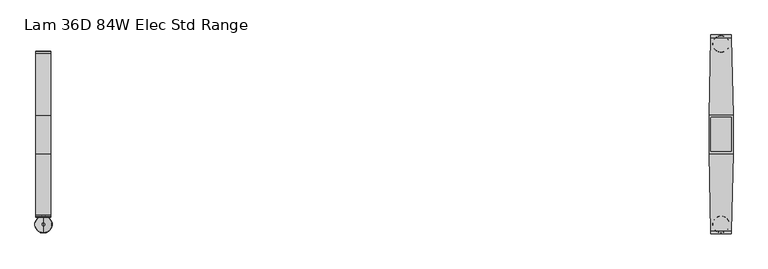
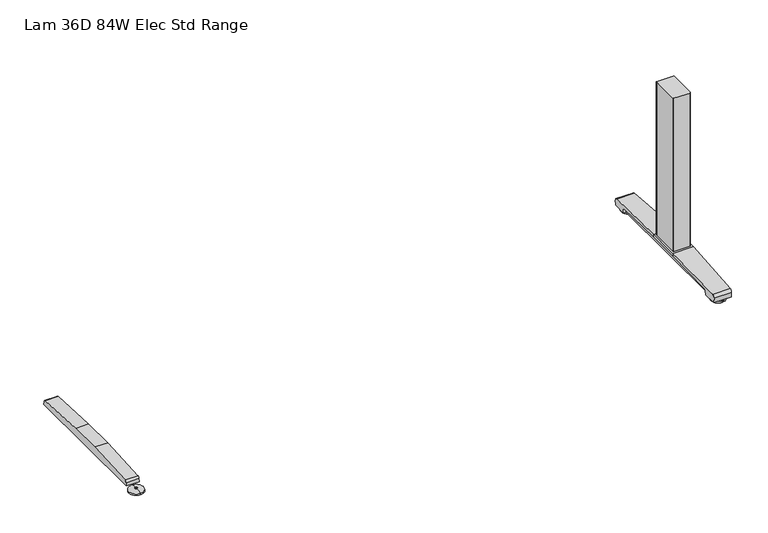
"""IFC4 building model written with IfcOpenShell, lengths in millimetres: furniture geometry, Lam 36D 84W Elec Std Range."""

from ifc_helpers import new_model, si_unit, point, frame, frame_2d, origin, place, context, project, spatial, polyline, circle_curve, ellipse_curve, trimmed, segment, composite_curve, outline, extrude, source, transform, mapped, element, save
from ifc_brep_helpers import plane_surface, cylinder_surface, revolved_surface, advanced_brep


def lam_36d_84w_elec_std_range_1e764a59(model_context):
    return source(origin(), model_context, "Body", "SolidModel", [
        advanced_brep(
        [(-989.076, -287.9643617, 0.0), (-989.076, -237.7743384, 0.0), (-989.076, -262.86935, 0.0), (-989.076, -287.8796512, 5.0038001), (-989.076, -237.8590489, 5.0038001), (-989.076, -266.8698499, 8.4327997), (-989.076, -258.8688501, 8.4327997), (-989.076, -266.8698499, 10.0423733), (-989.076, -258.8688501, 10.0423733), (-989.076, -262.86935, 10.0423733)],
        [
            (0, 1, circle_curve(frame((-989.076, -262.86935, 0.0), z_axis=(0.0, 0.0, -1.0), x_axis=(0.0, 1.0, 0.0)), 25.0950117)),
            (1, 2),
            (2, 0),
            (1, 0, circle_curve(frame((-989.076, -262.86935, 0.0), z_axis=(0.0, 0.0, -1.0), x_axis=(0.0, 1.0, 0.0)), 25.0950117)),
            (3, 4, circle_curve(frame((-989.076, -262.86935, 5.0038001), z_axis=(0.0, 0.0, -1.0), x_axis=(0.0, 1.0, 0.0)), 25.0103012)),
            (4, 1),
            (0, 3),
            (4, 3, circle_curve(frame((-989.076, -262.86935, 5.0038001), z_axis=(0.0, 0.0, -1.0), x_axis=(0.0, 1.0, 0.0)), 25.0103012)),
            (5, 6, circle_curve(frame((-989.076, -262.86935, 8.4327997), z_axis=(0.0, 0.0, -1.0), x_axis=(0.0, 1.0, 0.0)), 4.0004999)),
            (6, 4, circle_curve(frame((-989.076, -258.8368668, -57.4502444), z_axis=(-1.0, 0.0, 0.0), x_axis=(0.0, 1.0, 0.0)), 65.8830518)),
            (3, 5, circle_curve(frame((-989.076, -266.9018333, -57.4502444), z_axis=(-1.0, 0.0, 0.0), x_axis=(0.0, -1.0, 0.0)), 65.8830518)),
            (6, 5, circle_curve(frame((-989.076, -262.86935, 8.4327997), z_axis=(0.0, 0.0, -1.0), x_axis=(0.0, 1.0, 0.0)), 4.0004999)),
            (7, 8, circle_curve(frame((-989.076, -262.86935, 10.0423733), z_axis=(0.0, 0.0, -1.0), x_axis=(0.0, 1.0, 0.0)), 4.0004999)),
            (8, 6),
            (5, 7),
            (8, 7, circle_curve(frame((-989.076, -262.86935, 10.0423733), z_axis=(0.0, 0.0, -1.0), x_axis=(0.0, 1.0, 0.0)), 4.0004999)),
            (9, 8),
            (7, 9),
        ],
        [
            plane_surface(frame((-989.076, -262.86935, 0.0), z_axis=(0.0, 0.0, -1.0), x_axis=(0.0, 1.0, 0.0))),
            revolved_surface(polyline([(-989.076, -237.7743384, 0.0), (-989.076, -237.8590489, 5.0038001)]), (-989.076, -262.86935, 0.0), (0.0, 0.0, 1.0)),
            revolved_surface(trimmed(ellipse_curve(frame((-989.076, -258.8368668, -57.4502444), z_axis=(1.0, 0.0, 0.0), x_axis=(0.0, 1.0, 0.0)), 65.8830518, 65.8830518), [point((-989.076, -237.8590489, 5.0038001))], [point((-989.076, -258.8688501, 8.4327997))], True, "CARTESIAN"), (-989.076, -262.86935, 0.0), (0.0, 0.0, 1.0)),
            cylinder_surface(frame((-989.076, -262.86935, 0.0), z_axis=(0.0, 0.0, 1.0), x_axis=(0.0, 1.0, 0.0)), 4.0004999),
            plane_surface(frame((-989.076, -262.86935, 10.0423733), z_axis=(0.0, 0.0, 1.0), x_axis=(0.0, 1.0, 0.0))),
        ],
        [
            (0, [[1, 2, 3]]),
            (0, [[4, -3, -2]]),
            (1, [[5, 6, -1, 7]]),
            (1, [[8, -7, -4, -6]]),
            (2, [[9, 10, -5, 11]]),
            (2, [[12, -11, -8, -10]]),
            (3, [[13, 14, -9, 15]]),
            (3, [[16, -15, -12, -14]]),
            (4, [[17, -13, 18]]),
            (4, [[-18, -16, -17]]),
        ],
    ),
        extrude(outline(composite_curve([segment(polyline([(241.1152602, 22.833301), (242.1038309, 11.5339019), (-242.1038309, 11.5339019), (-241.1152602, 22.833301)]), True, "CONTINUOUS"), segment(trimmed(circle_curve(frame_2d((-234.2929906, 22.2364289)), 6.8483297), [point((-241.1152602, 22.833301))], [point((-235.1603185, 29.0296138))], False, "CARTESIAN"), True, "CONTINUOUS"), segment(polyline([(-235.1603185, 29.0296138), (-56.1182127, 38.9541198), (56.1182127, 38.9541198), (235.1603185, 29.0296138)]), True, "CONTINUOUS"), segment(trimmed(circle_curve(frame_2d((234.2929906, 22.2364289)), 6.8483297), [point((235.1603185, 29.0296138))], [point((241.1152602, 22.833301))], False, "CARTESIAN"), True, "CONTINUOUS")], self_intersect=False)), frame((-1011.0724, 0.0, 0.0), z_axis=(1.0, 0.0, 0.0), x_axis=(0.0, 1.0, 0.0)), (0.0, 0.0, 1.0), 43.9928),
        extrude(outline(composite_curve([segment(trimmed(circle_curve(frame_2d((1016.6521079, 47.6421079)), 2.3323921), [point((1016.6521079, 49.9745))], [point((1018.9845, 47.6421079))], False, "CARTESIAN"), True, "CONTINUOUS"), segment(polyline([(1018.9845, 47.6421079), (1018.9845, -47.6421079)]), True, "CONTINUOUS"), segment(trimmed(circle_curve(frame_2d((1016.6521079, -47.6421079)), 2.3323921), [point((1018.9845, -47.6421079))], [point((1016.6521079, -49.9745))], False, "CARTESIAN"), True, "CONTINUOUS"), segment(polyline([(1016.6521079, -49.9745), (961.4998921, -49.9745)]), True, "CONTINUOUS"), segment(trimmed(circle_curve(frame_2d((961.4998921, -47.6421079)), 2.3323921), [point((961.4998921, -49.9745))], [point((959.1675, -47.6421079))], False, "CARTESIAN"), True, "CONTINUOUS"), segment(polyline([(959.1675, -47.6421079), (959.1675, 47.6421079)]), True, "CONTINUOUS"), segment(trimmed(circle_curve(frame_2d((961.4998921, 47.6421079)), 2.3323921), [point((959.1675, 47.6421079))], [point((961.4998921, 49.9745))], False, "CARTESIAN"), True, "CONTINUOUS"), segment(polyline([(961.4998921, 49.9745), (1016.6521079, 49.9745)]), True, "CONTINUOUS")], self_intersect=False)), frame((0.0, 0.0, 48.10013), z_axis=(0.0, 0.0, 1.0), x_axis=(1.0, 0.0, 0.0)), (0.0, 0.0, 1.0), 550.9989485),
        advanced_brep(
        [(989.076, 238.6489737, 0.0), (989.076, 288.838997, 0.0), (989.076, 263.7439854, 0.0), (989.076, 238.7336842, 5.0038001), (989.076, 288.7542866, 5.0038001), (989.076, 259.7434855, 8.4327997), (989.076, 267.7444853, 8.4327997), (989.076, 259.7434855, 10.0423733), (989.076, 267.7444853, 10.0423733), (989.076, 263.7439854, 10.0423733)],
        [
            (0, 1, circle_curve(frame((989.076, 263.7439854, 0.0), z_axis=(0.0, 0.0, -1.0), x_axis=(0.0, 1.0, 0.0)), 25.0950117)),
            (1, 2),
            (2, 0),
            (1, 0, circle_curve(frame((989.076, 263.7439854, 0.0), z_axis=(0.0, 0.0, -1.0), x_axis=(0.0, 1.0, 0.0)), 25.0950117)),
            (3, 4, circle_curve(frame((989.076, 263.7439854, 5.0038001), z_axis=(0.0, 0.0, -1.0), x_axis=(0.0, 1.0, 0.0)), 25.0103012)),
            (4, 1),
            (0, 3),
            (4, 3, circle_curve(frame((989.076, 263.7439854, 5.0038001), z_axis=(0.0, 0.0, -1.0), x_axis=(0.0, 1.0, 0.0)), 25.0103012)),
            (5, 6, circle_curve(frame((989.076, 263.7439854, 8.4327997), z_axis=(0.0, 0.0, -1.0), x_axis=(0.0, 1.0, 0.0)), 4.0004999)),
            (6, 4, circle_curve(frame((989.076, 267.7764687, -57.4502444), z_axis=(-1.0, 0.0, 0.0), x_axis=(0.0, 1.0, 0.0)), 65.8830518)),
            (3, 5, circle_curve(frame((989.076, 259.7115021, -57.4502444), z_axis=(-1.0, 0.0, 0.0), x_axis=(0.0, -1.0, 0.0)), 65.8830518)),
            (6, 5, circle_curve(frame((989.076, 263.7439854, 8.4327997), z_axis=(0.0, 0.0, -1.0), x_axis=(0.0, 1.0, 0.0)), 4.0004999)),
            (7, 8, circle_curve(frame((989.076, 263.7439854, 10.0423733), z_axis=(0.0, 0.0, -1.0), x_axis=(0.0, 1.0, 0.0)), 4.0004999)),
            (8, 6),
            (5, 7),
            (8, 7, circle_curve(frame((989.076, 263.7439854, 10.0423733), z_axis=(0.0, 0.0, -1.0), x_axis=(0.0, 1.0, 0.0)), 4.0004999)),
            (9, 8),
            (7, 9),
        ],
        [
            plane_surface(frame((989.076, 263.7439854, 0.0), z_axis=(0.0, 0.0, -1.0), x_axis=(0.0, 1.0, 0.0))),
            revolved_surface(polyline([(989.076, 288.838997, 0.0), (989.076, 288.7542866, 5.0038001)]), (989.076, 263.7439854, 0.0), (0.0, 0.0, 1.0)),
            revolved_surface(trimmed(ellipse_curve(frame((989.076, 267.7764687, -57.4502444), z_axis=(1.0, 0.0, 0.0), x_axis=(0.0, 1.0, 0.0)), 65.8830518, 65.8830518), [point((989.076, 288.7542866, 5.0038001))], [point((989.076, 267.7444853, 8.4327997))], True, "CARTESIAN"), (989.076, 263.7439854, 0.0), (0.0, 0.0, 1.0)),
            cylinder_surface(frame((989.076, 263.7439854, 0.0), z_axis=(0.0, 0.0, 1.0), x_axis=(0.0, 1.0, 0.0)), 4.0004999),
            plane_surface(frame((989.076, 263.7439854, 10.0423733), z_axis=(0.0, 0.0, 1.0), x_axis=(0.0, 1.0, 0.0))),
        ],
        [
            (0, [[1, 2, 3]]),
            (0, [[4, -3, -2]]),
            (1, [[5, 6, -1, 7]]),
            (1, [[8, -7, -4, -6]]),
            (2, [[9, 10, -5, 11]]),
            (2, [[12, -11, -8, -10]]),
            (3, [[13, 14, -9, 15]]),
            (3, [[16, -15, -12, -14]]),
            (4, [[17, -13, 18]]),
            (4, [[-18, -16, -17]]),
        ],
    ),
        advanced_brep(
        [(989.076, -287.9643617, 0.0), (989.076, -237.7743384, 0.0), (989.076, -262.86935, 0.0), (989.076, -287.8796512, 5.0038001), (989.076, -237.8590489, 5.0038001), (989.076, -266.8698499, 8.4327997), (989.076, -258.8688501, 8.4327997), (989.076, -266.8698499, 10.0423733), (989.076, -258.8688501, 10.0423733), (989.076, -262.86935, 10.0423733)],
        [
            (0, 1, circle_curve(frame((989.076, -262.86935, 0.0), z_axis=(0.0, 0.0, -1.0), x_axis=(0.0, 1.0, 0.0)), 25.0950117)),
            (1, 2),
            (2, 0),
            (1, 0, circle_curve(frame((989.076, -262.86935, 0.0), z_axis=(0.0, 0.0, -1.0), x_axis=(0.0, 1.0, 0.0)), 25.0950117)),
            (3, 4, circle_curve(frame((989.076, -262.86935, 5.0038001), z_axis=(0.0, 0.0, -1.0), x_axis=(0.0, 1.0, 0.0)), 25.0103012)),
            (4, 1),
            (0, 3),
            (4, 3, circle_curve(frame((989.076, -262.86935, 5.0038001), z_axis=(0.0, 0.0, -1.0), x_axis=(0.0, 1.0, 0.0)), 25.0103012)),
            (5, 6, circle_curve(frame((989.076, -262.86935, 8.4327997), z_axis=(0.0, 0.0, -1.0), x_axis=(0.0, 1.0, 0.0)), 4.0004999)),
            (6, 4, circle_curve(frame((989.076, -258.8368668, -57.4502444), z_axis=(-1.0, 0.0, 0.0), x_axis=(0.0, 1.0, 0.0)), 65.8830518)),
            (3, 5, circle_curve(frame((989.076, -266.9018333, -57.4502444), z_axis=(-1.0, 0.0, 0.0), x_axis=(0.0, -1.0, 0.0)), 65.8830518)),
            (6, 5, circle_curve(frame((989.076, -262.86935, 8.4327997), z_axis=(0.0, 0.0, -1.0), x_axis=(0.0, 1.0, 0.0)), 4.0004999)),
            (7, 8, circle_curve(frame((989.076, -262.86935, 10.0423733), z_axis=(0.0, 0.0, -1.0), x_axis=(0.0, 1.0, 0.0)), 4.0004999)),
            (8, 6),
            (5, 7),
            (8, 7, circle_curve(frame((989.076, -262.86935, 10.0423733), z_axis=(0.0, 0.0, -1.0), x_axis=(0.0, 1.0, 0.0)), 4.0004999)),
            (9, 8),
            (7, 9),
        ],
        [
            plane_surface(frame((989.076, -262.86935, 0.0), z_axis=(0.0, 0.0, -1.0), x_axis=(0.0, 1.0, 0.0))),
            revolved_surface(polyline([(989.076, -237.7743384, 0.0), (989.076, -237.8590489, 5.0038001)]), (989.076, -262.86935, 0.0), (0.0, 0.0, 1.0)),
            revolved_surface(trimmed(ellipse_curve(frame((989.076, -258.8368668, -57.4502444), z_axis=(1.0, 0.0, 0.0), x_axis=(0.0, 1.0, 0.0)), 65.8830518, 65.8830518), [point((989.076, -237.8590489, 5.0038001))], [point((989.076, -258.8688501, 8.4327997))], True, "CARTESIAN"), (989.076, -262.86935, 0.0), (0.0, 0.0, 1.0)),
            cylinder_surface(frame((989.076, -262.86935, 0.0), z_axis=(0.0, 0.0, 1.0), x_axis=(0.0, 1.0, 0.0)), 4.0004999),
            plane_surface(frame((989.076, -262.86935, 10.0423733), z_axis=(0.0, 0.0, 1.0), x_axis=(0.0, 1.0, 0.0))),
        ],
        [
            (0, [[1, 2, 3]]),
            (0, [[4, -3, -2]]),
            (1, [[5, 6, -1, 7]]),
            (1, [[8, -7, -4, -6]]),
            (2, [[9, 10, -5, 11]]),
            (2, [[12, -11, -8, -10]]),
            (3, [[13, 14, -9, 15]]),
            (3, [[16, -15, -12, -14]]),
            (4, [[17, -13, 18]]),
            (4, [[-18, -16, -17]]),
        ],
    ),
        extrude(outline(polyline([(1024.2068382, 56.1182127), (1024.2068382, -56.1182127), (953.9451618, -56.1182127), (953.9451618, 56.1182127), (1024.2068382, 56.1182127)])), frame((0.0, 0.0, 38.9541198), z_axis=(0.0, 0.0, 1.0), x_axis=(1.0, 0.0, 0.0)), (0.0, 0.0, 1.0), 9.1460102),
        advanced_brep(
        [(1018.7596161, 290.195, 26.8186), (1018.9338577, 282.707527, 35.7787117), (1024.2068382, 56.1182127, 48.10013), (1024.2068382, 56.1182127, 38.9541198), (1020.0403331, 235.1603185, 29.0296138), (1019.9017552, 241.1152602, 22.833301), (1019.8757155, 242.2342309, 10.0434261), (1018.7932489, 288.7497362, 10.041053), (959.2185002, 282.707527, 35.7787117), (959.3927418, 290.195, 26.8186), (959.359109, 288.7497362, 10.041053), (958.2766424, 242.2342309, 10.0434261), (958.2506028, 241.1152602, 22.833301), (958.1120248, 235.1603185, 29.0296138), (953.9455195, 56.1182044, 38.9541203), (953.9455197, 56.1182127, 48.10013)],
        [
            (0, 1, ellipse_curve(frame((1018.951697, 281.9409412, 27.5296273), z_axis=(0.9997293380967565, 0.023264792039072082, 0.0), x_axis=(0.02326479203906728, -0.9997293380967566, 0.0)), 8.2868701, 8.2846272)),
            (1, 2, ellipse_curve(frame((1055.4138523, -1284.9024809, -26702.7346616), z_axis=(0.9997293380967565, 0.023264792039072082, 0.0), x_axis=(0.02326479203906728, -0.9997293380967566, 0.0)), 26791.6779046, 26784.4264181)),
            (2, 3),
            (3, 4),
            (4, 5, ellipse_curve(frame((1020.0605168, 234.2929906, 22.2364289), z_axis=(-0.9997293380967565, -0.023264792039072082, 0.0), x_axis=(-0.02326479203906728, 0.9997293380967566, 0.0)), 6.8501837, 6.8483297)),
            (5, 6),
            (6, 7),
            (7, 0),
            (8, 9, ellipse_curve(frame((959.2006609, 281.9409412, 27.5296273), z_axis=(-0.9997293380967591, 0.023264792038957968, 0.0), x_axis=(0.02326479203895553, 0.9997293380967592, 0.0)), 8.2868701, 8.2846272)),
            (9, 10),
            (10, 11),
            (11, 12),
            (12, 13, ellipse_curve(frame((958.0918411, 234.2929906, 22.2364289), z_axis=(0.9997293380967591, -0.023264792038957968, 0.0), x_axis=(-0.02326479203895553, -0.9997293380967592, 0.0)), 6.8501837, 6.8483297)),
            (13, 14),
            (14, 15),
            (15, 8, ellipse_curve(frame((922.7385056, -1284.9024809, -26702.7346616), z_axis=(-0.9997293380967591, 0.023264792038957968, 0.0), x_axis=(0.02326479203895553, 0.9997293380967592, 0.0)), 26791.6779046, 26784.4264181)),
            (0, 9),
            (8, 1),
            (7, 10),
            (6, 11),
            (5, 12),
            (4, 13),
            (3, 14),
            (2, 15),
        ],
        [
            plane_surface(frame((1018.7226732, 291.7825, 48.10013), z_axis=(0.9997293380967565, 0.023264792039072082, 0.0), x_axis=(0.0, 0.0, -1.0))),
            plane_surface(frame((953.9455197, 56.1182127, 48.10013), z_axis=(-0.9997293380967591, 0.023264792038957968, 0.0), x_axis=(0.0, 0.0, -1.0))),
            cylinder_surface(frame((953.9451618, 281.9409412, 27.5296273), z_axis=(1.0, 0.0, 0.0), x_axis=(0.0, 1.0, 0.0)), 8.2846272),
            plane_surface(frame((1024.2068382, 288.7497362, 10.041053), z_axis=(0.0, 0.9963102368703078, -0.08582489095496172), x_axis=(-1.0, 0.0, 0.0))),
            plane_surface(frame((1024.2068382, 242.2342309, 10.0434261), z_axis=(0.0, -5.101798419271255e-05, -0.9999999986985827), x_axis=(-1.0, 0.0, 0.0))),
            plane_surface(frame((1024.2068382, 241.1152602, 22.833301), z_axis=(0.0, -0.9961946873837872, -0.08715586514009506), x_axis=(-1.0, 0.0, 0.0))),
            revolved_surface(polyline([(957.9324730007909, 241.1413203, 22.2364289), (1020.2198848992099, 241.1413203, 22.2364289)]), (953.9451618, 234.2929906, 22.2364289), (-1.0, 0.0, 0.0)),
            plane_surface(frame((1024.2068382, 56.1182127, 38.9541198), z_axis=(0.0, -0.05534616539577146, -0.9984672262903695), x_axis=(-1.0, 0.0, 0.0))),
            plane_surface(frame((1024.2068382, 56.1182127, 48.10013), z_axis=(0.0, -1.0, 0.0), x_axis=(-1.0, 0.0, 0.0))),
            cylinder_surface(frame((953.9451618, -1284.9024809, -26702.7346616), z_axis=(1.0, 0.0, 0.0), x_axis=(0.0, 1.0, 0.0)), 26784.4264181),
        ],
        [
            (0, [[1, 2, 3, 4, 5, 6, 7, 8]]),
            (1, [[9, 10, 11, 12, 13, 14, 15, 16]]),
            (2, [[17, -9, 18, -1]]),
            (3, [[-17, -8, 19, -10]]),
            (4, [[-19, -7, 20, -11]]),
            (5, [[-20, -6, 21, -12]]),
            (6, [[-21, -5, 22, -13]]),
            (7, [[23, -14, -22, -4]]),
            (8, [[-23, -3, 24, -15]]),
            (9, [[-24, -2, -18, -16]]),
        ],
    ),
        extrude(outline(composite_curve([segment(polyline([(241.1152602, 22.833301), (242.1038309, 11.5339019), (-242.1038309, 11.5339019), (-241.1152602, 22.833301)]), True, "CONTINUOUS"), segment(trimmed(circle_curve(frame_2d((-234.2929906, 22.2364289)), 6.8483297), [point((-241.1152602, 22.833301))], [point((-235.1603185, 29.0296138))], False, "CARTESIAN"), True, "CONTINUOUS"), segment(polyline([(-235.1603185, 29.0296138), (-56.1182127, 38.9541198), (56.1182127, 38.9541198), (235.1603185, 29.0296138)]), True, "CONTINUOUS"), segment(trimmed(circle_curve(frame_2d((234.2929906, 22.2364289)), 6.8483297), [point((235.1603185, 29.0296138))], [point((241.1152602, 22.833301))], False, "CARTESIAN"), True, "CONTINUOUS")], self_intersect=False)), frame((967.0796, 0.0, 0.0), z_axis=(1.0, 0.0, 0.0), x_axis=(0.0, 1.0, 0.0)), (0.0, 0.0, 1.0), 43.9928),
        advanced_brep(
        [(1018.9338577, -282.707527, 35.7787117), (959.2185002, -282.707527, 35.7787117), (959.3927418, -290.195, 26.8186), (1018.7596161, -290.195, 26.8186), (959.359109, -288.7497362, 10.041053), (1018.7932489, -288.7497362, 10.041053), (958.2766424, -242.2342309, 10.0434261), (1019.8757155, -242.2342309, 10.0434261), (958.2506028, -241.1152602, 22.833301), (1019.9017552, -241.1152602, 22.833301), (958.1120248, -235.1603185, 29.0296138), (1020.0403331, -235.1603185, 29.0296138), (953.9451618, -56.1182127, 38.9541198), (1024.2068382, -56.1182127, 38.9541198), (953.9455197, -56.1182127, 48.10013), (1024.2068382, -56.1182127, 48.10013)],
        [
            (0, 1),
            (1, 2, ellipse_curve(frame((959.2006609, -281.9409412, 27.5296273), z_axis=(0.9997293380967565, 0.02326479203907166, 0.0), x_axis=(0.023264792039067703, -0.9997293380967566, 0.0)), 8.2868701, 8.2846272)),
            (2, 3),
            (3, 0, ellipse_curve(frame((1018.951697, -281.9409412, 27.5296273), z_axis=(-0.9997293380967565, 0.023264792039074365, 0.0), x_axis=(0.023264792039068193, 0.9997293380967565, 0.0)), 8.2868701, 8.2846272)),
            (2, 4),
            (4, 5),
            (5, 3),
            (4, 6),
            (6, 7),
            (7, 5),
            (6, 8),
            (8, 9),
            (9, 7),
            (8, 10, ellipse_curve(frame((958.0918411, -234.2929906, 22.2364289), z_axis=(-0.9997293380967565, -0.02326479203907166, 0.0), x_axis=(-0.023264792039067703, 0.9997293380967566, 0.0)), 6.8501837, 6.8483297)),
            (10, 11),
            (11, 9, ellipse_curve(frame((1020.0605168, -234.2929906, 22.2364289), z_axis=(0.9997293380967565, -0.023264792039074365, 0.0), x_axis=(-0.023264792039068193, -0.9997293380967565, 0.0)), 6.8501837, 6.8483297)),
            (12, 13),
            (13, 11),
            (10, 12),
            (12, 14),
            (14, 15),
            (15, 13),
            (15, 0, ellipse_curve(frame((1055.4138523, 1284.9024809, -26702.7346625), z_axis=(0.9997293380967565, -0.023264792039074365, 0.0), x_axis=(0.023264792039068193, 0.9997293380967565, 0.0)), 26791.6779056, 26784.426419)),
            (1, 14, ellipse_curve(frame((922.7385056, 1284.9024809, -26702.7346625), z_axis=(-0.9997293380967565, -0.02326479203907166, 0.0), x_axis=(0.023264792039067703, -0.9997293380967566, 0.0)), 26791.6779056, 26784.426419)),
        ],
        [
            cylinder_surface(frame((953.9451618, -281.9409412, 27.5296273), z_axis=(1.0, 0.0, 0.0), x_axis=(0.0, 1.0, 0.0)), 8.2846272),
            plane_surface(frame((1024.2068382, -290.195, 26.8186), z_axis=(0.0, -0.9963102368705569, -0.08582489095207206), x_axis=(-1.0, 0.0, 0.0))),
            plane_surface(frame((1024.2068382, -288.7497362, 10.041053), z_axis=(0.0, 5.1017983912824705e-05, -0.9999999986985827), x_axis=(-1.0, 0.0, 0.0))),
            plane_surface(frame((1024.2068382, -242.2342309, 10.0434261), z_axis=(0.0, 0.9961946873837977, -0.08715586513997582), x_axis=(-1.0, 0.0, 0.0))),
            revolved_surface(polyline([(957.9324730007901, -227.4446609, 22.2364289), (1020.2198848992099, -227.4446609, 22.2364289)]), (953.9451618, -234.2929906, 22.2364289), (-1.0, 0.0, 0.0)),
            plane_surface(frame((1024.2068382, -235.1603185, 29.0296138), z_axis=(0.0, 0.055346165395829, -0.9984672262903663), x_axis=(-1.0, 0.0, 0.0))),
            plane_surface(frame((1024.2068382, -56.1182127, 38.9541198), z_axis=(0.0, 1.0, 0.0), x_axis=(-1.0, 0.0, 0.0))),
            plane_surface(frame((1024.2068382, -56.1182127, 48.10013), z_axis=(0.9997293380967565, -0.023264792039074365, 0.0), x_axis=(0.0, 0.0, -1.0))),
            plane_surface(frame((959.4296847, -291.7825, 48.10013), z_axis=(-0.9997293380967565, -0.02326479203907166, 0.0), x_axis=(0.0, 0.0, -1.0))),
            cylinder_surface(frame((953.9451618, 1284.9024809, -26702.7346625), z_axis=(1.0, 0.0, 0.0), x_axis=(0.0, 1.0, 0.0)), 26784.426419),
        ],
        [
            (0, [[1, 2, 3, 4]]),
            (1, [[-3, 5, 6, 7]]),
            (2, [[-6, 8, 9, 10]]),
            (3, [[-9, 11, 12, 13]]),
            (4, [[-12, 14, 15, 16]]),
            (5, [[17, 18, -15, 19]]),
            (6, [[-17, 20, 21, 22]]),
            (7, [[-4, -7, -10, -13, -16, -18, -22, 23]]),
            (8, [[-2, 24, -20, -19, -14, -11, -8, -5]]),
            (9, [[-21, -24, -1, -23]]),
        ],
    ),
    ])


if __name__ == "__main__":
    model = new_model("IFC4")
    model_context = context("Model", 3, world=origin())
    ifc_project = project(units=[si_unit("LENGTHUNIT", "METRE", prefix="MILLI")], contexts=[model_context])
    site = spatial("IfcSite", under=ifc_project)
    building = spatial("IfcBuilding", under=site)
    placement = place(None, origin())
    lam_36d_84w_elec_std_range_shape = lam_36d_84w_elec_std_range_1e764a59(model_context)
    element("IfcFurniture", 1, ObjectType="Lam 36D 84W Elec Std Range", at=placement, inside=building, context=model_context, shape_type="MappedRepresentation", body=[
        mapped(lam_36d_84w_elec_std_range_shape, transform((0.0, 0.0, 0.0), x_axis=(1.0, 0.0, 0.0), y_axis=(0.0, 1.0, 0.0), z_axis=(0.0, 0.0, 1.0))),
    ])
    save(model, "model.ifc")
